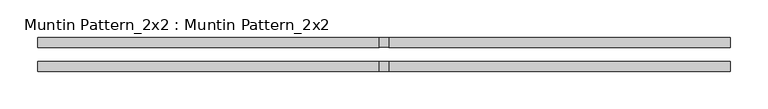
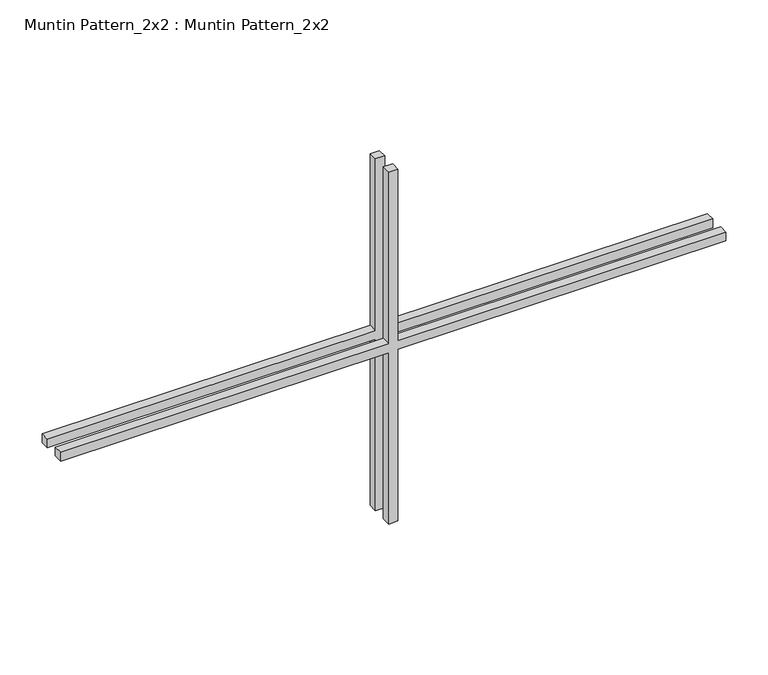
"""IFC4 building model written with IfcOpenShell, lengths in millimetres: proxy geometry, Muntin Pattern_2x2 : Muntin Pattern_2x2."""

from ifc_helpers import new_model, si_unit, frame, origin, place, context, project, spatial, polyline, outline, extrude, source, transform, mapped, element, save


def muntin_pattern_2x2_muntin_pattern_2x2_0e85f197(model_context):
    return source(origin(), model_context, "Body", "SweptSolid", [
        extrude(outline(polyline([(261.9375, -6.35), (261.9375, -457.2), (249.2375, -457.2), (249.2375, -6.35), (0.0, -6.35), (0.0, 6.35), (249.2375, 6.35), (249.2375, 457.2), (261.9375, 457.2), (261.9375, 6.35), (511.175, 6.35), (511.175, -6.35), (261.9375, -6.35)])), frame((0.0, 9.525, 0.0), z_axis=(0.0, 1.0, 0.0), x_axis=(0.0, 0.0, 1.0)), (0.0, 0.0, 1.0), 12.7),
        extrude(outline(polyline([(261.9375, -6.35), (261.9375, -457.2), (249.2375, -457.2), (249.2375, -6.35), (0.0, -6.35), (0.0, 6.35), (249.2375, 6.35), (249.2375, 457.2), (261.9375, 457.2), (261.9375, 6.35), (511.175, 6.35), (511.175, -6.35), (261.9375, -6.35)])), frame((0.0, -22.225, 0.0), z_axis=(0.0, 1.0, 0.0), x_axis=(0.0, 0.0, 1.0)), (0.0, 0.0, 1.0), 12.7),
    ])


if __name__ == "__main__":
    model = new_model("IFC4")
    model_context = context("Model", 3, world=origin())
    ifc_project = project(units=[si_unit("LENGTHUNIT", "METRE", prefix="MILLI")], contexts=[model_context])
    site = spatial("IfcSite", under=ifc_project)
    building = spatial("IfcBuilding", under=site)
    placement = place(None, origin())
    muntin_pattern_2x2_muntin_pattern_2x2_shape = muntin_pattern_2x2_muntin_pattern_2x2_0e85f197(model_context)
    element("IfcBuildingElementProxy", 1, Name="Muntin Pattern_2x2 : Muntin Pattern_2x2", ObjectType="Muntin Pattern_2x2 : Muntin Pattern_2x2", at=placement, inside=building, context=model_context, shape_type="MappedRepresentation", body=[
        mapped(muntin_pattern_2x2_muntin_pattern_2x2_shape, transform((0.0, 0.0, 0.0), x_axis=(1.0, 0.0, 0.0), y_axis=(0.0, 1.0, 0.0), z_axis=(0.0, 0.0, 1.0))),
    ])
    save(model, "model.ifc")
